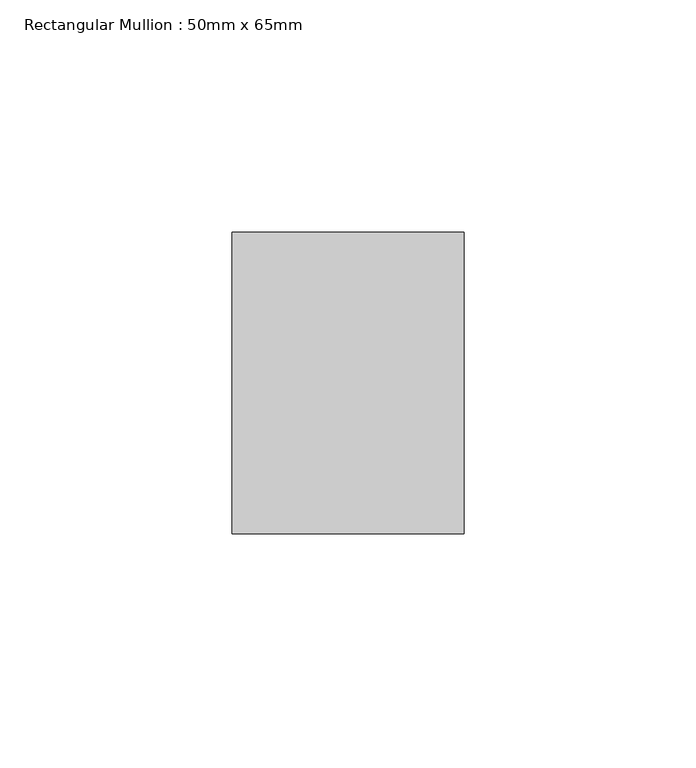
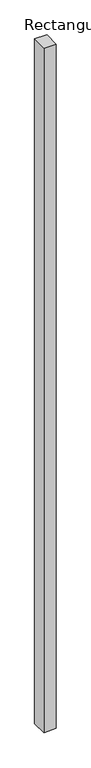
"""IFC4 building model written with IfcOpenShell, lengths in millimetres: member geometry, Rectangular Mullion : 50mm x 65mm."""

from ifc_helpers import new_model, si_unit, origin, place, context, project, spatial, faceted_brep, source, transform, mapped, element, save


def rectangular_mullion_50mm_x_65mm_1bdb5d74(model_context):
    return source(origin(), model_context, "Body", "Brep", [
        faceted_brep([(25.0, 32.5, 0.0), (-25.0, 32.5, 0.0), (-25.0, -32.5, 0.0), (25.0, -32.5, 0.0), (25.0, 32.5, -2949.6660411), (-25.0, 32.5, -2952.0515854), (-25.0, -32.5, -2950.29188), (25.0, -32.5, -2947.9063357)], [[[0, 1, 2, 3]], [[1, 0, 4, 5]], [[2, 1, 5, 6]], [[3, 2, 6, 7]], [[0, 3, 7, 4]], [[4, 7, 6, 5]]]),
    ])


if __name__ == "__main__":
    model = new_model("IFC4")
    model_context = context("Model", 3, world=origin())
    ifc_project = project(units=[si_unit("LENGTHUNIT", "METRE", prefix="MILLI")], contexts=[model_context])
    site = spatial("IfcSite", under=ifc_project)
    building = spatial("IfcBuilding", under=site)
    placement = place(None, origin())
    rectangular_mullion_50mm_x_65mm_shape = rectangular_mullion_50mm_x_65mm_1bdb5d74(model_context)
    element("IfcMember", 1, ObjectType="Rectangular Mullion : 50mm x 65mm", at=placement, inside=building, context=model_context, shape_type="MappedRepresentation", body=[
        mapped(rectangular_mullion_50mm_x_65mm_shape, transform((0.0, 0.0, 0.0), x_axis=(1.0, 0.0, 0.0), y_axis=(0.0, 1.0, 0.0), z_axis=(0.0, 0.0, 1.0))),
    ])
    save(model, "model.ifc")
